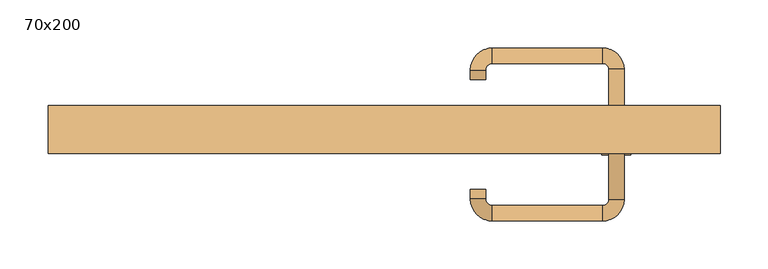
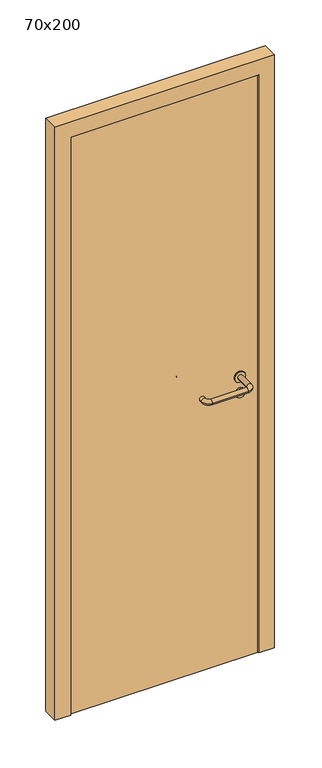
"""IFC4 building model written with IfcOpenShell, lengths in millimetres: door geometry, 70x200."""

import ifcopenshell
import ifcopenshell.guid

model = None  # the IFC model being written
_history = None  # IfcOwnerHistory: only IFC2X3 demands one
_inside = {}  # id of a spatial element -> (the spatial element, [elements in it])
_under = {}  # id of a project, library or spatial element -> (it, [spatial elements below it])
_declared = {}  # id of a project -> (the project, [libraries it declares])
_typed = {}  # id of a type object -> (the type object, [elements of that type])
_made_of = {}  # id of a material, layer set ... -> (it, [elements and type objects made of it])


def new_model(schema):
    """Start an empty IFC model of exactly this schema.

    Asked for "IFC4X3", IfcOpenShell would pick the latest addendum, in which some entities
    have other attributes; the version numbers below select the first issue.
    IFC2X3 requires an IfcOwnerHistory on every rooted entity: one is made here for all.
    """
    global model, _history
    if schema == "IFC4X3":
        model = ifcopenshell.file(schema_version=(4, 3, 0, 0))
    else:
        model = ifcopenshell.file(schema=schema)
    _inside.clear()
    _under.clear()
    _declared.clear()
    _typed.clear()
    _made_of.clear()
    _history = None
    if model.schema == "IFC2X3":
        org = make("IfcOrganization", Name="unknown")
        user = make(
            "IfcPersonAndOrganization",
            ThePerson=make("IfcPerson", FamilyName="unknown"),
            TheOrganization=org,
        )
        app = make(
            "IfcApplication",
            ApplicationDeveloper=org,
            Version="unknown",
            ApplicationFullName="unknown",
            ApplicationIdentifier="unknown",
        )
        _history = make(
            "IfcOwnerHistory",
            OwningUser=user,
            OwningApplication=app,
            ChangeAction="ADDED",
            CreationDate=0,
        )
    return model


def make(cls, **values):
    """One entity of the class cls with the attributes given. An attribute that is None is left unset."""
    return model.create_entity(
        cls, **{name: value for name, value in values.items() if value is not None}
    )


def rooted(cls, **values):
    """An entity with a GlobalId (a new one), such as an element, a storey or a relation."""
    return make(cls, GlobalId=ifcopenshell.guid.new(), OwnerHistory=_history, **values)


def si_unit(unit_type, name, prefix=None):
    """IfcSIUnit, for example si_unit("LENGTHUNIT", "METRE", prefix="MILLI")."""
    return make("IfcSIUnit", UnitType=unit_type, Prefix=prefix, Name=name)


def assignment(units):
    """IfcUnitAssignment: the units of a project."""
    return None if units is None else make("IfcUnitAssignment", Units=units)


def point(xyz):
    """IfcCartesianPoint."""
    return None if xyz is None else make("IfcCartesianPoint", Coordinates=xyz)


def direction(xyz):
    """IfcDirection."""
    return None if xyz is None else make("IfcDirection", DirectionRatios=xyz)


def frame(location, z_axis=None, x_axis=None):
    """IfcAxis2Placement3D, a coordinate frame: its origin and axes. An axis left out is left unset."""
    return make(
        "IfcAxis2Placement3D",
        Location=point(location),
        Axis=direction(z_axis),
        RefDirection=direction(x_axis),
    )


def frame_2d(location, x_axis=None):
    """IfcAxis2Placement2D, a coordinate frame in the plane: its origin and x axis."""
    return make(
        "IfcAxis2Placement2D", Location=point(location), RefDirection=direction(x_axis)
    )


def origin():
    """The frame at (0, 0, 0) with its axes left unset."""
    return frame((0.0, 0.0, 0.0))


def origin_with_axes():
    """The frame at (0, 0, 0) with the z axis (0, 0, 1) and the x axis (1, 0, 0) written out."""
    return frame((0.0, 0.0, 0.0), z_axis=(0.0, 0.0, 1.0), x_axis=(1.0, 0.0, 0.0))


def place(relative_to, where):
    """IfcLocalPlacement: puts the frame where relative to a parent placement (None: the world)."""
    return make(
        "IfcLocalPlacement", PlacementRelTo=relative_to, RelativePlacement=where
    )


def context(
    kind, dimensions, precision=None, world=None, true_north=None, identifier=None
):
    """IfcGeometricRepresentationContext, for example the 3D "Model" context."""
    return make(
        "IfcGeometricRepresentationContext",
        ContextIdentifier=identifier,
        ContextType=kind,
        CoordinateSpaceDimension=dimensions,
        Precision=precision,
        WorldCoordinateSystem=world,
        TrueNorth=true_north,
    )


def project(units=None, contexts=None):
    """IfcProject with its units and contexts."""
    return rooted(
        "IfcProject",
        Name="project",
        RepresentationContexts=contexts,
        UnitsInContext=assignment(units),
    )


def spatial(cls, under=None, at=None, **own):
    """A site, building, storey or space (cls), placed at a placement, below another one or the project."""
    s = rooted(cls, ObjectPlacement=at, **own)
    if under is not None:
        _under.setdefault(under.id(), (under, []))[1].append(s)
    return s


def polyline(points):
    """IfcPolyline through the points."""
    return make("IfcPolyline", Points=[point(p) for p in points])


def circle_curve(where, radius):
    """IfcCircle in the frame where."""
    return make("IfcCircle", Position=where, Radius=radius)


def ellipse_curve(where, semi_axis1, semi_axis2):
    """IfcEllipse in the frame where."""
    return make(
        "IfcEllipse", Position=where, SemiAxis1=semi_axis1, SemiAxis2=semi_axis2
    )


def trimmed(basis, trim1, trim2, sense, master):
    """IfcTrimmedCurve: the piece of a basis curve between two trims."""
    return make(
        "IfcTrimmedCurve",
        BasisCurve=basis,
        Trim1=trim1,
        Trim2=trim2,
        SenseAgreement=sense,
        MasterRepresentation=master,
    )


def segment(curve, same_sense, transition):
    """IfcCompositeCurveSegment."""
    return make(
        "IfcCompositeCurveSegment",
        Transition=transition,
        SameSense=same_sense,
        ParentCurve=curve,
    )


def composite_curve(segments, self_intersect=None):
    """IfcCompositeCurve: segments joined end to end."""
    return make("IfcCompositeCurve", Segments=segments, SelfIntersect=self_intersect)


def outline(outer, holes=None, kind="AREA"):
    """IfcArbitraryClosedProfileDef: a profile drawn as a closed curve; with holes, ...WithVoids."""
    if holes is None:
        return make("IfcArbitraryClosedProfileDef", ProfileType=kind, OuterCurve=outer)
    return make(
        "IfcArbitraryProfileDefWithVoids",
        ProfileType=kind,
        OuterCurve=outer,
        InnerCurves=holes,
    )


def extrude(swept, where, along, depth):
    """IfcExtrudedAreaSolid: the profile swept, set in the frame where, extruded along a direction by depth."""
    return make(
        "IfcExtrudedAreaSolid",
        SweptArea=swept,
        Position=where,
        ExtrudedDirection=direction(along),
        Depth=depth,
    )


def shape(context_of_items, identifier, shape_type, items):
    """IfcShapeRepresentation: the items that make up one representation, for example the "Body"."""
    return make(
        "IfcShapeRepresentation",
        ContextOfItems=context_of_items,
        RepresentationIdentifier=identifier,
        RepresentationType=shape_type,
        Items=items,
    )


def source(mapping_origin, context_of_items, identifier, shape_type, items):
    """IfcRepresentationMap: a shape defined once, which mapped items show again and again."""
    return make(
        "IfcRepresentationMap",
        MappingOrigin=mapping_origin,
        MappedRepresentation=shape(context_of_items, identifier, shape_type, items),
    )


def transform(
    local_origin,
    x_axis=None,
    y_axis=None,
    z_axis=None,
    scale=None,
    scale2=None,
    scale3=None,
    uniform=True,
):
    """IfcCartesianTransformationOperator3D, or its non-uniform kind. x_axis, y_axis, z_axis: its Axis1, 2, 3."""
    if uniform:
        return make(
            "IfcCartesianTransformationOperator3D",
            Axis1=direction(x_axis),
            Axis2=direction(y_axis),
            LocalOrigin=point(local_origin),
            Scale=scale,
            Axis3=direction(z_axis),
        )
    return make(
        "IfcCartesianTransformationOperator3DnonUniform",
        Axis1=direction(x_axis),
        Axis2=direction(y_axis),
        LocalOrigin=point(local_origin),
        Scale=scale,
        Axis3=direction(z_axis),
        Scale2=scale2,
        Scale3=scale3,
    )


def mapped(mapping_source, mapping_target):
    """IfcMappedItem: shows the shape of a source again, moved by a transform."""
    return make(
        "IfcMappedItem", MappingSource=mapping_source, MappingTarget=mapping_target
    )


def made_of(thing, what):
    """Note that an element or type object is made of a material, layer set ...; save() writes the relation."""
    if what is not None:
        _made_of.setdefault(what.id(), (what, []))[1].append(thing)
    return thing


def element(
    cls,
    number,
    at=None,
    inside=None,
    cuts=None,
    type_object=None,
    material=None,
    context=None,
    identifier="Body",
    shape_type=None,
    held_by="IfcProductDefinitionShape",
    body=None,
    shapes=None,
    **own,
):
    """One element of the class cls, such as IfcWall. Its Tag is "e" and its number.

    at: its placement. inside: the storey or other place that contains it. cuts: it is an
    opening in that element (IfcRelVoidsElement). A single representation is given by context,
    identifier, shape_type and body (its items); several are given by shapes. held_by: the class
    of the entity that holds the representations. save() writes the other relations.
    """
    e = rooted(cls, Tag="e%d" % number, ObjectPlacement=at, **own)
    if body is not None:
        shapes = [shape(context, identifier, shape_type, body)]
    if shapes is not None:
        e.Representation = make(held_by, Representations=shapes)
    if inside is not None:
        _inside.setdefault(inside.id(), (inside, []))[1].append(e)
    if cuts is not None:
        rooted(
            "IfcRelVoidsElement", RelatingBuildingElement=cuts, RelatedOpeningElement=e
        )
    if type_object is not None:
        _typed.setdefault(type_object.id(), (type_object, []))[1].append(e)
    return made_of(e, material)


def aggregate(whole, parts):
    """IfcRelAggregates: a whole, such as a stair, and the parts it consists of."""
    return rooted("IfcRelAggregates", RelatingObject=whole, RelatedObjects=parts)


def save(model, path):
    """Write the relations noted so far, then the file.

    IfcRelAggregates (storeys below a building ...), IfcRelContainedInSpatialStructure (elements
    in a storey), IfcRelDefinesByType, IfcRelAssociatesMaterial and IfcRelDeclares: one each for
    every whole, place, type object, material and project.
    """
    for whole, parts in _under.values():
        aggregate(whole, parts)
    for where, things in _inside.values():
        rooted(
            "IfcRelContainedInSpatialStructure",
            RelatedElements=things,
            RelatingStructure=where,
        )
    for kind, things in _typed.values():
        rooted("IfcRelDefinesByType", RelatedObjects=things, RelatingType=kind)
    for what, things in _made_of.values():
        rooted("IfcRelAssociatesMaterial", RelatedObjects=things, RelatingMaterial=what)
    for by, libraries in _declared.values():
        rooted("IfcRelDeclares", RelatingContext=by, RelatedDefinitions=libraries)
    model.write(path)


def plane_surface(at):
    """IfcPlane: the flat surface through the origin of the frame at, square to its z axis."""
    return make("IfcPlane", Position=at)


def cylinder_surface(at, radius):
    """IfcCylindricalSurface: all points at the distance radius from the z axis of the frame at."""
    return make("IfcCylindricalSurface", Position=at, Radius=radius)


def revolved_surface(curve, axis_point, axis_direction):
    """IfcSurfaceOfRevolution: the curve turned about the line through axis_point along axis_direction."""
    return make(
        "IfcSurfaceOfRevolution",
        SweptCurve=make("IfcArbitraryOpenProfileDef", ProfileType="CURVE", Curve=curve),
        AxisPosition=make("IfcAxis1Placement", Location=point(axis_point), Axis=direction(axis_direction)),
    )


def advanced_brep(points, edges, surfaces, faces):
    """IfcAdvancedBrep: a solid bounded by faces that lie on surfaces and meet in shared edges.

    An edge is (start, end): straight between two places in points (the first is 0);
    or (start, end, curve); or (start, end, curve, False) where it runs against its curve.
    A face is (place in surfaces, loops), or (place, loops, False) where it looks against
    its surface's normal. A loop lists edges by number (the first is 1), with a minus sign
    where the edge is run from its end to its start. The first loop is the outer one.
    """
    corners = [point(p) for p in points]
    vertices = [make("IfcVertexPoint", VertexGeometry=c) for c in corners]
    made = []
    for start, end, *more in edges:
        made.append(
            make(
                "IfcEdgeCurve",
                EdgeStart=vertices[start],
                EdgeEnd=vertices[end],
                EdgeGeometry=more[0] if more else make("IfcPolyline", Points=[corners[start], corners[end]]),
                SameSense=more[1] if len(more) > 1 else True,
            )
        )
    hull = []
    for where, loops, *sense in faces:
        bounds = []
        for j, loop in enumerate(loops):
            ring = [make("IfcOrientedEdge", EdgeElement=made[abs(k) - 1], Orientation=k > 0) for k in loop]
            bounds.append(
                make(
                    "IfcFaceOuterBound" if j == 0 else "IfcFaceBound",
                    Bound=make("IfcEdgeLoop", EdgeList=ring),
                    Orientation=True,
                )
            )
        hull.append(make("IfcAdvancedFace", Bounds=bounds, FaceSurface=surfaces[where], SameSense=sense[0] if sense else True))
    return make("IfcAdvancedBrep", Outer=make("IfcClosedShell", CfsFaces=hull))


def door_70x200_b2e1b063(model_context):
    return source(origin(), model_context, "Body", "SolidModel", [
        extrude(outline(composite_curve([segment(trimmed(circle_curve(frame_2d((897.3605726, 242.0)), 15.0), [point((897.3605726, 257.0))], [point((897.3605726, 227.0))], False, "CARTESIAN"), True, "CONTINUOUS"), segment(trimmed(circle_curve(frame_2d((897.3605726, 242.0)), 15.0), [point((897.3605726, 227.0))], [point((897.3605726, 257.0))], False, "CARTESIAN"), True, "CONTINUOUS")], self_intersect=False), holes=[composite_curve([segment(trimmed(circle_curve(frame_2d((892.5833211, 241.9398032)), 2.0), [point((892.5833211, 243.9398032))], [point((892.5833211, 239.9398032))], True, "CARTESIAN"), True, "CONTINUOUS"), segment(polyline([(892.5833211, 239.9398032), (902.5833211, 239.9398032)]), True, "CONTINUOUS"), segment(trimmed(circle_curve(frame_2d((902.5833211, 241.9398032)), 2.0), [point((902.5833211, 239.9398032))], [point((902.5833211, 243.9398032))], True, "CARTESIAN"), True, "CONTINUOUS"), segment(polyline([(902.5833211, 243.9398032), (892.5833211, 243.9398032)]), True, "CONTINUOUS")], self_intersect=False)]), frame((0.0, -15.0, 0.0), z_axis=(0.0, 1.0, 0.0), x_axis=(0.0, 0.0, 1.0)), (0.0, 0.0, 1.0), 6.35),
        extrude(outline(composite_curve([segment(trimmed(circle_curve(frame_2d((950.0, 242.0)), 17.526), [point((950.0, 259.526))], [point((950.0, 224.474))], False, "CARTESIAN"), True, "CONTINUOUS"), segment(trimmed(circle_curve(frame_2d((950.0, 242.0)), 17.526), [point((950.0, 224.474))], [point((950.0, 259.526))], False, "CARTESIAN"), True, "CONTINUOUS")], self_intersect=False)), frame((0.0, -15.0, 0.0), z_axis=(0.0, 1.0, 0.0), x_axis=(0.0, 0.0, 1.0)), (0.0, 0.0, 1.0), 3.175),
        advanced_brep(
        [(250.0, -15.0, 950.0), (234.0, -15.0, 950.0), (250.0, 38.0, 950.0), (234.0, 38.0, 950.0), (227.8578644, 44.1421356, 950.0), (227.8578644, 60.1421356, 950.0), (112.8578644, 60.1421356, 950.0), (112.8578644, 44.1421356, 950.0), (106.008622, 37.2928932, 950.0), (90.008622, 37.2928932, 950.0), (90.008622, 27.2928932, 950.0), (106.008622, 27.2928932, 950.0)],
        [
            (0, 1, circle_curve(frame((242.0, -15.0, 950.0), z_axis=(0.0, -1.0, 0.0), x_axis=(-1.0, 0.0, 0.0)), 8.0)),
            (1, 0, circle_curve(frame((242.0, -15.0, 950.0), z_axis=(0.0, -1.0, 0.0), x_axis=(-1.0, 0.0, 0.0)), 8.0)),
            (0, 2),
            (2, 3, circle_curve(frame((242.0, 38.0, 950.0), z_axis=(0.0, -1.0, 0.0), x_axis=(-1.0, 0.0, 0.0)), 8.0)),
            (3, 1),
            (3, 2, circle_curve(frame((242.0, 38.0, 950.0), z_axis=(0.0, -1.0, 0.0), x_axis=(-1.0, 0.0, 0.0)), 8.0)),
            (4, 3, circle_curve(frame((227.8578644, 38.0, 950.0), z_axis=(0.0, 0.0, -1.0), x_axis=(1.0, 0.0, 0.0)), 6.1421356)),
            (2, 5, circle_curve(frame((227.8578644, 38.0, 950.0), z_axis=(0.0, 0.0, 1.0), x_axis=(1.0, 0.0, 0.0)), 22.1421356)),
            (5, 4, circle_curve(frame((227.8578644, 52.1421356, 950.0), z_axis=(1.0, 0.0, 0.0), x_axis=(0.0, -1.0, 0.0)), 8.0)),
            (4, 5, circle_curve(frame((227.8578644, 52.1421356, 950.0), z_axis=(1.0, 0.0, 0.0), x_axis=(0.0, -1.0, 0.0)), 8.0)),
            (5, 6),
            (6, 7, circle_curve(frame((112.8578644, 52.1421356, 950.0), z_axis=(1.0, 0.0, 0.0), x_axis=(0.0, -1.0, 0.0)), 8.0)),
            (7, 4),
            (7, 6, circle_curve(frame((112.8578644, 52.1421356, 950.0), z_axis=(1.0, 0.0, 0.0), x_axis=(0.0, -1.0, 0.0)), 8.0)),
            (8, 7, circle_curve(frame((112.8578644, 37.2928932, 950.0), z_axis=(0.0, 0.0, -1.0), x_axis=(0.0, 1.0, 0.0)), 6.8492424)),
            (6, 9, circle_curve(frame((112.8578644, 37.2928932, 950.0), z_axis=(0.0, 0.0, 1.0), x_axis=(0.0, 1.0, 0.0)), 22.8492424)),
            (9, 8, circle_curve(frame((98.008622, 37.2928932, 950.0), z_axis=(0.0, 1.0, 0.0), x_axis=(1.0, 0.0, 0.0)), 8.0)),
            (8, 9, circle_curve(frame((98.008622, 37.2928932, 950.0), z_axis=(0.0, 1.0, 0.0), x_axis=(1.0, 0.0, 0.0)), 8.0)),
            (10, 11, circle_curve(frame((98.008622, 27.2928932, 950.0), z_axis=(0.0, -1.0, 0.0), x_axis=(1.0, 0.0, 0.0)), 8.0)),
            (11, 10, circle_curve(frame((98.008622, 27.2928932, 950.0), z_axis=(0.0, -1.0, 0.0), x_axis=(1.0, 0.0, 0.0)), 8.0)),
            (9, 10),
            (11, 8),
        ],
        [
            plane_surface(frame((242.0, -15.0, 170.0), z_axis=(0.0, -1.0, 0.0), x_axis=(0.0, 0.0, 1.0))),
            cylinder_surface(frame((242.0, -15.0, 950.0), z_axis=(0.0, -1.0, 0.0), x_axis=(-1.0, 0.0, 0.0)), 8.0),
            revolved_surface(trimmed(ellipse_curve(frame((242.0, 38.0, 950.0), z_axis=(0.0, -1.0, 0.0), x_axis=(-1.0, 0.0, 0.0)), 8.0, 8.0), [point((250.0, 38.0, 950.0))], [point((234.0, 38.0, 950.0))], True, "CARTESIAN"), (227.8578644, 38.0, 170.0), (0.0, 0.0, 1.0)),
            revolved_surface(trimmed(ellipse_curve(frame((242.0, 38.0, 950.0), z_axis=(0.0, -1.0, 0.0), x_axis=(-1.0, 0.0, 0.0)), 8.0, 8.0), [point((234.0, 38.0, 950.0))], [point((250.0, 38.0, 950.0))], True, "CARTESIAN"), (227.8578644, 38.0, 170.0), (0.0, 0.0, 1.0)),
            cylinder_surface(frame((227.8578644, 52.1421356, 950.0), z_axis=(1.0, 0.0, 0.0), x_axis=(0.0, -1.0, 0.0)), 8.0),
            revolved_surface(trimmed(ellipse_curve(frame((112.8578644, 52.1421356, 950.0), z_axis=(1.0, 0.0, 0.0), x_axis=(0.0, -1.0, 0.0)), 8.0, 8.0), [point((112.8578644, 60.1421356, 950.0))], [point((112.8578644, 44.1421356, 950.0))], True, "CARTESIAN"), (112.8578644, 37.2928932, 170.0), (0.0, 0.0, 1.0)),
            revolved_surface(trimmed(ellipse_curve(frame((112.8578644, 52.1421356, 950.0), z_axis=(1.0, 0.0, 0.0), x_axis=(0.0, -1.0, 0.0)), 8.0, 8.0), [point((112.8578644, 44.1421356, 950.0))], [point((112.8578644, 60.1421356, 950.0))], True, "CARTESIAN"), (112.8578644, 37.2928932, 170.0), (0.0, 0.0, 1.0)),
            plane_surface(frame((98.008622, 27.2928932, 170.0), z_axis=(0.0, -1.0, 0.0), x_axis=(0.0, 0.0, 1.0))),
            cylinder_surface(frame((98.008622, 37.2928932, 950.0), z_axis=(0.0, 1.0, 0.0), x_axis=(1.0, 0.0, 0.0)), 8.0),
        ],
        [
            (0, [[1, 2]]),
            (1, [[-1, 3, 4, 5]]),
            (1, [[-2, -5, 6, -3]]),
            (2, [[7, -4, 8, 9]]),
            (3, [[-8, -6, -7, 10]]),
            (4, [[-9, 11, 12, 13]]),
            (4, [[-10, -13, 14, -11]]),
            (5, [[15, -12, 16, 17]]),
            (6, [[-16, -14, -15, 18]]),
            (7, [[19, 20]]),
            (8, [[-17, 21, -20, 22]]),
            (8, [[-18, -22, -19, -21]]),
        ],
    ),
        extrude(outline(composite_curve([segment(trimmed(circle_curve(frame_2d((0.0, 15.0)), 15.0), [point((0.0, 30.0))], [point((0.0, 0.0))], False, "CARTESIAN"), True, "CONTINUOUS"), segment(trimmed(circle_curve(frame_2d((0.0, 15.0)), 15.0), [point((0.0, 0.0))], [point((0.0, 30.0))], False, "CARTESIAN"), True, "CONTINUOUS")], self_intersect=False), holes=[composite_curve([segment(trimmed(circle_curve(frame_2d((-4.7772515, 14.9398032)), 2.0), [point((-4.7772515, 16.9398032))], [point((-4.7772515, 12.9398032))], True, "CARTESIAN"), True, "CONTINUOUS"), segment(polyline([(-4.7772515, 12.9398032), (5.2227485, 12.9398032)]), True, "CONTINUOUS"), segment(trimmed(circle_curve(frame_2d((5.2227485, 14.9398032)), 2.0), [point((5.2227485, 12.9398032))], [point((5.2227485, 16.9398032))], True, "CARTESIAN"), True, "CONTINUOUS"), segment(polyline([(5.2227485, 16.9398032), (-4.7772515, 16.9398032)]), True, "CONTINUOUS")], self_intersect=False)]), frame((227.0, -51.35, 897.3605726), z_axis=(-1.8870575173328306e-12, 1.0, 0.0), x_axis=(0.0, 0.0, 1.0)), (0.0, 0.0, 1.0), 6.35),
        extrude(outline(composite_curve([segment(trimmed(circle_curve(frame_2d((0.0, 17.526)), 17.526), [point((0.0, 35.052))], [point((0.0, 0.0))], False, "CARTESIAN"), True, "CONTINUOUS"), segment(trimmed(circle_curve(frame_2d((0.0, 17.526)), 17.526), [point((0.0, 0.0))], [point((0.0, 35.052))], False, "CARTESIAN"), True, "CONTINUOUS")], self_intersect=False)), frame((224.474, -48.175, 950.0), z_axis=(-1.8870575173328306e-12, 1.0, 0.0), x_axis=(0.0, 0.0, 1.0)), (0.0, 0.0, 1.0), 3.175),
        advanced_brep(
        [(250.0, -45.0, 950.0), (234.0, -45.0, 950.0), (234.0, -98.0, 950.0), (250.0, -98.0, 950.0), (227.8578644, -104.1421356, 950.0), (227.8578644, -120.1421356, 950.0), (112.8578644, -104.1421356, 950.0), (112.8578644, -120.1421356, 950.0), (106.008622, -97.2928932, 950.0), (90.008622, -97.2928932, 950.0), (90.008622, -87.2928932, 950.0), (106.008622, -87.2928932, 950.0)],
        [
            (0, 1, circle_curve(frame((242.0, -45.0, 950.0), z_axis=(-1.888672253512351e-12, 1.0, 0.0), x_axis=(-1.0, -1.888672253512351e-12, 0.0)), 8.0)),
            (1, 0, circle_curve(frame((242.0, -45.0, 950.0), z_axis=(-1.888672253512351e-12, 1.0, 0.0), x_axis=(-1.0, -1.888672253512351e-12, 0.0)), 8.0)),
            (1, 2),
            (2, 3, circle_curve(frame((242.0, -98.0, 950.0), z_axis=(-1.888672253512351e-12, 1.0, 0.0), x_axis=(-1.0, -1.888672253512351e-12, 0.0)), 8.0)),
            (3, 0),
            (3, 2, circle_curve(frame((242.0, -98.0, 950.0), z_axis=(-1.888672253512351e-12, 1.0, 0.0), x_axis=(-1.0, -1.888672253512351e-12, 0.0)), 8.0)),
            (4, 5, circle_curve(frame((227.8578644, -112.1421356, 950.0), z_axis=(1.0, 1.913702061528922e-12, 0.0), x_axis=(-1.913702061528922e-12, 1.0, 0.0)), 8.0)),
            (5, 3, circle_curve(frame((227.8578644, -98.0, 950.0), z_axis=(0.0, 0.0, 1.0), x_axis=(1.0, 1.880717803715015e-12, 0.0)), 22.1421356)),
            (2, 4, circle_curve(frame((227.8578644, -98.0, 950.0), z_axis=(0.0, 0.0, -1.0), x_axis=(1.0, 1.880717803715015e-12, 0.0)), 6.1421356)),
            (5, 4, circle_curve(frame((227.8578644, -112.1421356, 950.0), z_axis=(1.0, 1.913702061528922e-12, 0.0), x_axis=(-1.913702061528922e-12, 1.0, 0.0)), 8.0)),
            (4, 6),
            (6, 7, circle_curve(frame((112.8578644, -112.1421356, 950.0), z_axis=(1.0, 1.913719828541269e-12, 0.0), x_axis=(-1.913719828541269e-12, 1.0, 0.0)), 8.0)),
            (7, 5),
            (7, 6, circle_curve(frame((112.8578644, -112.1421356, 950.0), z_axis=(1.0, 1.913719828541269e-12, 0.0), x_axis=(-1.913719828541269e-12, 1.0, 0.0)), 8.0)),
            (8, 9, circle_curve(frame((98.008622, -97.2928932, 950.0), z_axis=(1.890226565746826e-12, -1.0, 0.0), x_axis=(1.0, 1.890226565746826e-12, 0.0)), 8.0)),
            (9, 7, circle_curve(frame((112.8578644, -97.2928932, 950.0), z_axis=(0.0, 0.0, 1.0), x_axis=(1.9120873253494017e-12, -1.0, 0.0)), 22.8492424)),
            (6, 8, circle_curve(frame((112.8578644, -97.2928932, 950.0), z_axis=(0.0, 0.0, -1.0), x_axis=(1.9120873253494017e-12, -1.0, 0.0)), 6.8492424)),
            (9, 8, circle_curve(frame((98.008622, -97.2928932, 950.0), z_axis=(1.890670654956676e-12, -1.0, 0.0), x_axis=(1.0, 1.890670654956676e-12, 0.0)), 8.0)),
            (10, 11, circle_curve(frame((98.008622, -87.2928932, 950.0), z_axis=(-1.8903642334018795e-12, 1.0, 0.0), x_axis=(1.0, 1.8903642334018795e-12, 0.0)), 8.0)),
            (11, 10, circle_curve(frame((98.008622, -87.2928932, 950.0), z_axis=(-1.8903642334018795e-12, 1.0, 0.0), x_axis=(1.0, 1.8903642334018795e-12, 0.0)), 8.0)),
            (8, 11),
            (10, 9),
        ],
        [
            plane_surface(frame((242.0, -45.0, 170.0), z_axis=(-1.8870575173328306e-12, 1.0, 0.0), x_axis=(0.0, 0.0, 1.0))),
            cylinder_surface(frame((242.0, -45.0, 950.0), z_axis=(-1.888672253512351e-12, 1.0, 0.0), x_axis=(-1.0, -1.888672253512351e-12, 0.0)), 8.0),
            revolved_surface(trimmed(ellipse_curve(frame((242.0, -98.0, 950.0), z_axis=(1.8823325398945356e-12, -1.0, 0.0), x_axis=(-1.0, -1.8823325398945356e-12, 0.0)), 8.0, 8.0), [point((250.0, -98.0, 950.0))], [point((234.0, -98.0, 950.0))], True, "CARTESIAN"), (227.8578644, -98.0, 170.0), (0.0, 0.0, 1.0)),
            revolved_surface(trimmed(ellipse_curve(frame((242.0, -98.0, 950.0), z_axis=(1.8823325398945356e-12, -1.0, 0.0), x_axis=(-1.0, -1.8823325398945356e-12, 0.0)), 8.0, 8.0), [point((234.0, -98.0, 950.0))], [point((250.0, -98.0, 950.0))], True, "CARTESIAN"), (227.8578644, -98.0, 170.0), (0.0, 0.0, 1.0)),
            cylinder_surface(frame((227.8578644, -112.1421356, 950.0), z_axis=(1.0, 1.913719828541269e-12, 0.0), x_axis=(-1.913719828541269e-12, 1.0, 0.0)), 8.0),
            revolved_surface(trimmed(ellipse_curve(frame((112.8578644, -112.1421356, 950.0), z_axis=(-1.0, -1.913702061528922e-12, 0.0), x_axis=(-1.913702061528922e-12, 1.0, 0.0)), 8.0, 8.0), [point((112.8578644, -120.1421356, 950.0))], [point((112.8578644, -104.1421356, 950.0))], True, "CARTESIAN"), (112.8578644, -97.2928932, 170.0), (0.0, 0.0, 1.0)),
            revolved_surface(trimmed(ellipse_curve(frame((112.8578644, -112.1421356, 950.0), z_axis=(-1.0, -1.913702061528922e-12, 0.0), x_axis=(-1.913702061528922e-12, 1.0, 0.0)), 8.0, 8.0), [point((112.8578644, -104.1421356, 950.0))], [point((112.8578644, -120.1421356, 950.0))], True, "CARTESIAN"), (112.8578644, -97.2928932, 170.0), (0.0, 0.0, 1.0)),
            plane_surface(frame((98.008622, -87.2928932, 170.0), z_axis=(-1.8887494972223595e-12, 1.0, 0.0), x_axis=(0.0, 0.0, 1.0))),
            cylinder_surface(frame((98.008622, -97.2928932, 950.0), z_axis=(1.8903642334018795e-12, -1.0, 0.0), x_axis=(1.0, 1.8903642334018795e-12, 0.0)), 8.0),
        ],
        [
            (0, [[1, 2]]),
            (1, [[3, 4, 5, -2]]),
            (1, [[-5, 6, -3, -1]]),
            (2, [[7, 8, -4, 9]]),
            (3, [[10, -9, -6, -8]]),
            (4, [[11, 12, 13, -7]]),
            (4, [[-13, 14, -11, -10]]),
            (5, [[15, 16, -12, 17]]),
            (6, [[18, -17, -14, -16]]),
            (7, [[19, 20]]),
            (8, [[21, -19, 22, -15]]),
            (8, [[-22, -20, -21, -18]]),
        ],
    ),
        extrude(outline(polyline([(1950.0, 300.0), (0.0, 300.0), (0.0, 350.0), (2000.0, 350.0), (2000.0, -350.0), (0.0, -350.0), (0.0, -300.0), (1950.0, -300.0), (1950.0, 300.0)])), frame((0.0, -50.0, 0.0), z_axis=(0.0, 1.0, 0.0), x_axis=(0.0, 0.0, 1.0)), (0.0, 0.0, 1.0), 50.0),
        extrude(outline(polyline([(-300.0, -45.0), (-300.0, -15.0), (300.0, -15.0), (300.0, -45.0), (-300.0, -45.0)])), origin_with_axes(), (0.0, 0.0, 1.0), 1950.0),
    ])


if __name__ == "__main__":
    model = new_model("IFC4")
    model_context = context("Model", 3, world=origin())
    ifc_project = project(units=[si_unit("LENGTHUNIT", "METRE", prefix="MILLI")], contexts=[model_context])
    site = spatial("IfcSite", under=ifc_project)
    building = spatial("IfcBuilding", under=site)
    placement = place(None, origin())
    door_70x200_shape = door_70x200_b2e1b063(model_context)
    element("IfcDoor", 1, ObjectType="70x200", at=placement, inside=building, context=model_context, shape_type="MappedRepresentation", body=[
        mapped(door_70x200_shape, transform((0.0, 0.0, 0.0), x_axis=(1.0, 0.0, 0.0), y_axis=(0.0, 1.0, 0.0), z_axis=(0.0, 0.0, 1.0))),
    ])
    save(model, "model.ifc")
